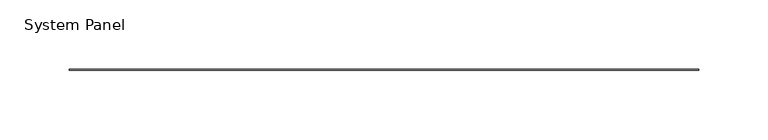
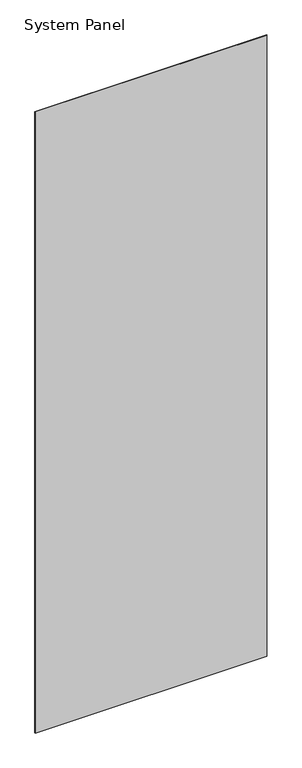
"""IFC4 building model written with IfcOpenShell, lengths in millimetres: plate geometry, System Panel."""

from ifc_helpers import new_model, si_unit, origin, origin_with_axes, place, context, project, spatial, polyline, outline, extrude, source, transform, mapped, element, save


def system_panel_8a7700cc(model_context):
    return source(origin(), model_context, "Body", "SweptSolid", [
        extrude(outline(polyline([(226.9490002, -0.2480469), (-226.9490002, -0.2480469), (-226.9490002, 0.2480469), (226.9490002, 0.2480469), (226.9490002, -0.2480469)])), origin_with_axes(), (0.0, 0.0, 1.0), 1285.875),
    ])


if __name__ == "__main__":
    model = new_model("IFC4")
    model_context = context("Model", 3, world=origin())
    ifc_project = project(units=[si_unit("LENGTHUNIT", "METRE", prefix="MILLI")], contexts=[model_context])
    site = spatial("IfcSite", under=ifc_project)
    building = spatial("IfcBuilding", under=site)
    placement = place(None, origin())
    system_panel_shape = system_panel_8a7700cc(model_context)
    element("IfcPlate", 1, ObjectType="System Panel", at=placement, inside=building, context=model_context, shape_type="MappedRepresentation", body=[
        mapped(system_panel_shape, transform((0.0, 0.0, 0.0), x_axis=(1.0, 0.0, 0.0), y_axis=(0.0, 1.0, 0.0), z_axis=(0.0, 0.0, 1.0))),
    ])
    save(model, "model.ifc")
